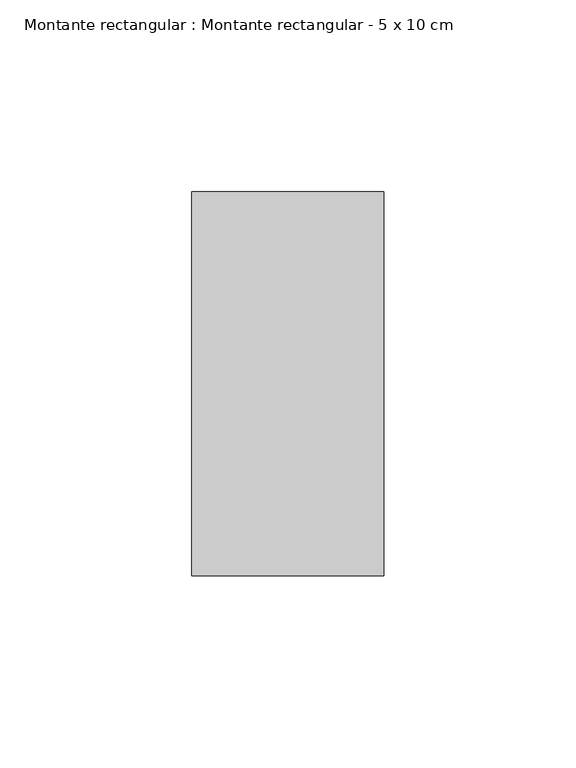
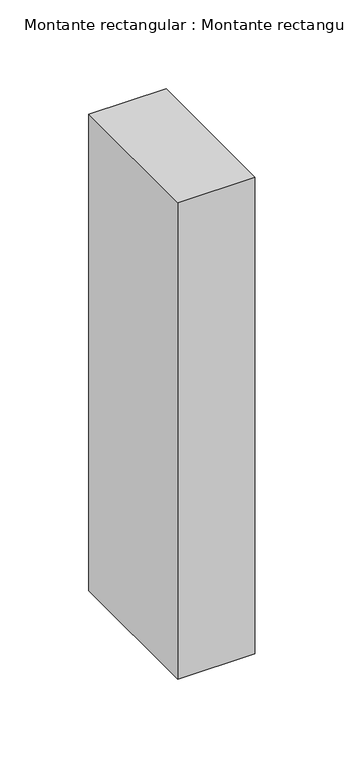
"""IFC4 building model written with IfcOpenShell, lengths in millimetres: member geometry, Montante rectangular : Montante rectangular - 5 x 10 cm."""

from ifc_helpers import new_model, si_unit, frame, origin, place, context, project, spatial, polyline, outline, extrude, source, transform, mapped, element, save


def montante_rectangular_montante_rectangular_5_x_10_cm_3b98528d(model_context):
    return source(origin(), model_context, "Body", "SweptSolid", [
        extrude(outline(polyline([(0.0, 50.0), (0.0, -50.0), (-50.0, -50.0), (-50.0, 50.0), (0.0, 50.0)])), frame((0.0, 0.0, -326.6666667), z_axis=(0.0, 0.0, 1.0), x_axis=(1.0, 0.0, 0.0)), (0.0, 0.0, 1.0), 326.6666667),
    ])


if __name__ == "__main__":
    model = new_model("IFC4")
    model_context = context("Model", 3, world=origin())
    ifc_project = project(units=[si_unit("LENGTHUNIT", "METRE", prefix="MILLI")], contexts=[model_context])
    site = spatial("IfcSite", under=ifc_project)
    building = spatial("IfcBuilding", under=site)
    placement = place(None, origin())
    montante_rectangular_montante_rectangular_5_x_10_cm_shape = montante_rectangular_montante_rectangular_5_x_10_cm_3b98528d(model_context)
    element("IfcMember", 1, ObjectType="Montante rectangular : Montante rectangular - 5 x 10 cm", at=placement, inside=building, context=model_context, shape_type="MappedRepresentation", body=[
        mapped(montante_rectangular_montante_rectangular_5_x_10_cm_shape, transform((0.0, 0.0, 0.0), x_axis=(1.0, 0.0, 0.0), y_axis=(0.0, 1.0, 0.0), z_axis=(0.0, 0.0, 1.0))),
    ])
    save(model, "model.ifc")
